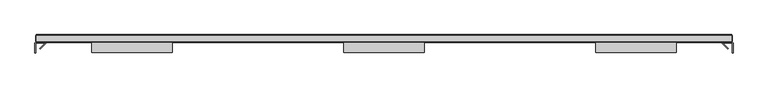
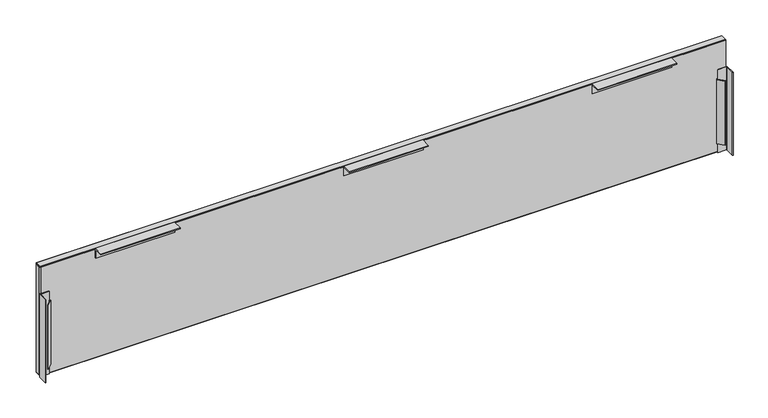
"""IFC4 building model written with IfcOpenShell, lengths in millimetres: furniture geometry."""

from ifc_helpers import new_model, si_unit, frame, origin, place, context, project, spatial, polyline, outline, extrude, faceted_brep, source, transform, mapped, element, save


def furniture_0be4325c(model_context):
    return source(origin(), model_context, "Body", "SolidModel", [
        extrude(outline(polyline([(1599.1306631, -16.8598849), (1585.1860201, -3.040911), (1586.4375425, 0.0), (1588.2829551, 0.0), (1588.2829551, -1.7927541), (1587.7525785, -3.0812474), (1600.3821855, -15.5969715), (1599.1306631, -16.8598849)])), frame((0.0, 0.0, 434.4416121), z_axis=(0.0, 0.0, 1.0), x_axis=(1.0, 0.0, 0.0)), (0.0, 0.0, 1.0), 174.0153729),
        extrude(outline(polyline([(-139.6776634, -15.5969715), (-127.0481563, -3.0812474), (-127.5845289, -1.7780006), (-127.5845289, 0.0), (-125.7330613, 0.0), (-124.4815252, -3.040911), (-138.4261274, -16.8598849), (-139.6776634, -15.5969715)])), frame((0.0, 0.0, 434.4416121), z_axis=(0.0, 0.0, 1.0), x_axis=(1.0, 0.0, 0.0)), (0.0, 0.0, 1.0), 174.0153729),
        faceted_brep([(-148.5917905, 19.3039992, 410.845), (-150.6237908, 17.2719989, 410.845), (-150.6237908, 2.0319981, 410.845), (-148.5917927, 0.0, 410.845), (1609.2914111, 0.0, 410.845), (1611.3234092, 2.0319981, 410.845), (1611.3234092, 17.2708384, 410.845), (1609.2902484, 19.3039992, 410.845), (-148.5917905, 17.2719989, 408.813), (1609.2902484, 17.2719989, 408.813), (1609.2902484, 2.0319981, 408.813), (-148.5917905, 2.0319981, 408.813)], [[[0, 1, 2, 3, 4, 5, 6, 7]], [[8, 9, 10, 11]], [[1, 0, 8]], [[8, 11, 2, 1]], [[3, 2, 11]], [[11, 10, 4, 3]], [[5, 4, 10]], [[10, 9, 6, 5]], [[7, 6, 9]], [[9, 8, 0, 7]]]),
        extrude(outline(polyline([(1609.2902484, 19.3039992), (1611.3234092, 17.2708384), (1611.3234092, 2.0319981), (1609.2914111, 0.0), (-148.5917927, 0.0), (-150.6237908, 2.0319981), (-150.6237908, 17.2719989), (-148.5917905, 19.3039992), (1609.2902484, 19.3039992)])), frame((0.0, 0.0, 410.845), z_axis=(0.0, 0.0, 1.0), x_axis=(1.0, 0.0, 0.0)), (0.0, 0.0, 1.0), 294.1320019),
        faceted_brep([(-148.5917905, 17.2719989, 707.009), (-148.5917905, 2.0319981, 707.009), (1609.2902484, 2.0319981, 707.009), (1609.2902484, 17.2719989, 707.009), (-150.6237908, 17.2719989, 704.9770019), (-148.5917905, 19.3039992, 704.9770019), (1609.2902484, 19.3039992, 704.9770019), (1611.3234092, 17.2708384, 704.9770019), (1611.3234092, 2.0319981, 704.9770019), (1609.2914111, 0.0, 704.9770019), (-148.5917927, 0.0, 704.9770019), (-150.6237908, 2.0319981, 704.9770019)], [[[0, 1, 2, 3]], [[4, 5, 6, 7, 8, 9, 10, 11]], [[4, 11, 1, 0]], [[11, 10, 1]], [[10, 9, 2, 1]], [[9, 8, 2]], [[8, 7, 3, 2]], [[7, 6, 3]], [[6, 5, 0, 3]], [[5, 4, 0]]]),
        extrude(outline(polyline([(-25.4000023, 707.009), (0.0, 707.009), (0.0, 681.6089516), (-1.7780006, 681.6089516), (-1.7780006, 705.2309835), (-25.4000023, 705.2309835), (-25.4000023, 707.009)])), frame((1266.3902, 0.0, 0.0), z_axis=(1.0, 0.0, 0.0), x_axis=(0.0, 1.0, 0.0)), (0.0, 0.0, 1.0), 203.2),
        extrude(outline(polyline([(-25.4000023, 707.009), (0.0, 707.009), (0.0, 681.6089516), (-1.7780006, 681.6089516), (-1.7780006, 705.2309835), (-25.4000023, 705.2309835), (-25.4000023, 707.009)])), frame((628.7528519, 0.0, 0.0), z_axis=(1.0, 0.0, 0.0), x_axis=(0.0, 1.0, 0.0)), (0.0, 0.0, 1.0), 203.1939146),
        extrude(outline(polyline([(-25.4000023, 707.009), (0.0, 707.009), (0.0, 681.6089516), (-1.7780006, 681.6089516), (-1.7780006, 705.2309835), (-25.4000023, 705.2309835), (-25.4000023, 707.009)])), frame((-8.8917874, 0.0, 0.0), z_axis=(1.0, 0.0, 0.0), x_axis=(0.0, 1.0, 0.0)), (0.0, 0.0, 1.0), 203.2),
        extrude(outline(polyline([(-150.6250603, 0.0), (-127.5845289, 0.0), (-127.5845289, -1.7780006), (-149.863061, -1.7780006), (-150.6237908, -2.5387327), (-150.6237908, -26.9240008), (-152.4030608, -26.9240008), (-152.4030608, -1.7780006), (-150.6250603, 0.0)])), frame((0.0, 0.0, 409.0416), z_axis=(0.0, 0.0, 1.0), x_axis=(1.0, 0.0, 0.0)), (0.0, 0.0, 1.0), 224.8153971),
        extrude(outline(polyline([(1611.3294824, 0.0), (1613.1075716, -1.7780006), (1613.1075716, -26.9240008), (1611.3234092, -26.9240008), (1611.3234092, -2.5400021), (1610.5613918, -1.7780006), (1588.2829551, -1.7780006), (1588.2829551, 0.0), (1611.3294824, 0.0)])), frame((0.0, 0.0, 409.0416), z_axis=(0.0, 0.0, 1.0), x_axis=(1.0, 0.0, 0.0)), (0.0, 0.0, 1.0), 224.8153971),
    ])


if __name__ == "__main__":
    model = new_model("IFC4")
    model_context = context("Model", 3, world=origin())
    ifc_project = project(units=[si_unit("LENGTHUNIT", "METRE", prefix="MILLI")], contexts=[model_context])
    site = spatial("IfcSite", under=ifc_project)
    building = spatial("IfcBuilding", under=site)
    placement = place(None, origin())
    furniture_shape = furniture_0be4325c(model_context)
    element("IfcFurniture", 1, at=placement, inside=building, context=model_context, shape_type="MappedRepresentation", body=[
        mapped(furniture_shape, transform((0.0, 0.0, 0.0), x_axis=(1.0, 0.0, 0.0), y_axis=(0.0, 1.0, 0.0), z_axis=(0.0, 0.0, 1.0))),
    ])
    save(model, "model.ifc")
